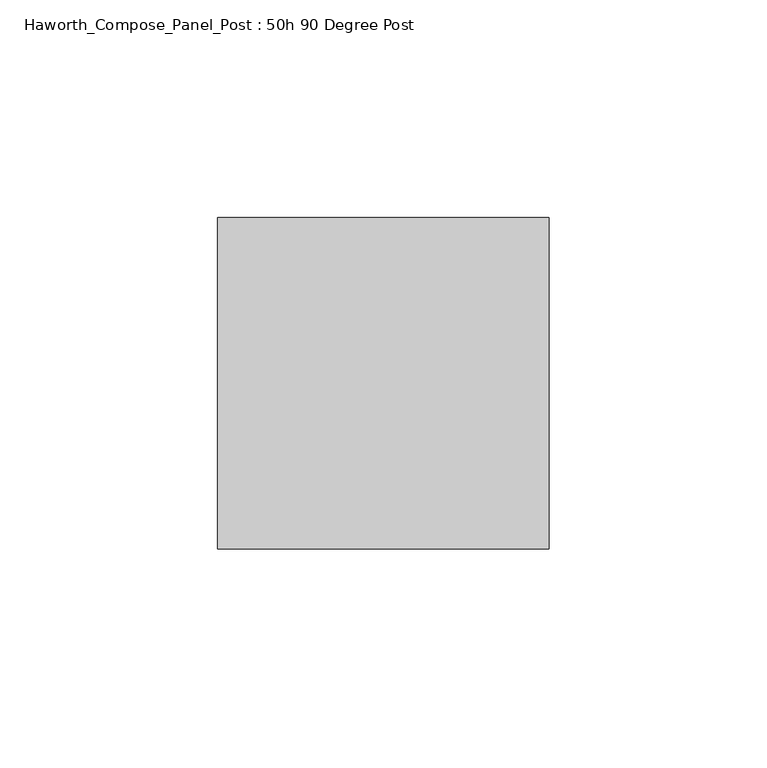
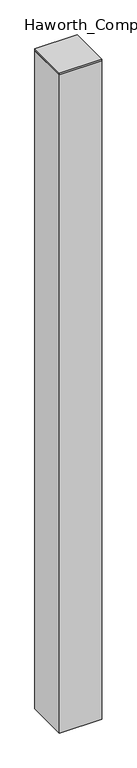
"""IFC4 building model written with IfcOpenShell, lengths in millimetres: furniture geometry, Haworth_Compose_Panel_Post : 50h 90 Degree Post."""

from ifc_helpers import new_model, si_unit, frame, origin, place, context, project, spatial, polyline, outline, extrude, source, transform, mapped, element, save


def haworth_compose_panel_post_50h_90_degree_post_92b81c20(model_context):
    return source(origin(), model_context, "Body", "SweptSolid", [
        extrude(outline(polyline([(0.0, 38.1), (76.2, 38.1), (76.2, -38.1), (0.0, -38.1), (0.0, 38.1)])), frame((0.0, 0.0, 1263.65), z_axis=(0.0, 0.0, 1.0), x_axis=(1.0, 0.0, 0.0)), (0.0, 0.0, 1.0), 3.175),
        extrude(outline(polyline([(76.2, 38.1), (76.2, -38.1), (0.0, -38.1), (0.0, 38.1), (76.2, 38.1)])), frame((0.0, 0.0, 12.7), z_axis=(0.0, 0.0, 1.0), x_axis=(1.0, 0.0, 0.0)), (0.0, 0.0, 1.0), 1250.95),
    ])


if __name__ == "__main__":
    model = new_model("IFC4")
    model_context = context("Model", 3, world=origin())
    ifc_project = project(units=[si_unit("LENGTHUNIT", "METRE", prefix="MILLI")], contexts=[model_context])
    site = spatial("IfcSite", under=ifc_project)
    building = spatial("IfcBuilding", under=site)
    placement = place(None, origin())
    haworth_compose_panel_post_50h_90_degree_post_shape = haworth_compose_panel_post_50h_90_degree_post_92b81c20(model_context)
    element("IfcFurniture", 1, ObjectType="Haworth_Compose_Panel_Post : 50h 90 Degree Post", at=placement, inside=building, context=model_context, shape_type="MappedRepresentation", body=[
        mapped(haworth_compose_panel_post_50h_90_degree_post_shape, transform((0.0, 0.0, 0.0), x_axis=(1.0, 0.0, 0.0), y_axis=(0.0, 1.0, 0.0), z_axis=(0.0, 0.0, 1.0))),
    ])
    save(model, "model.ifc")
